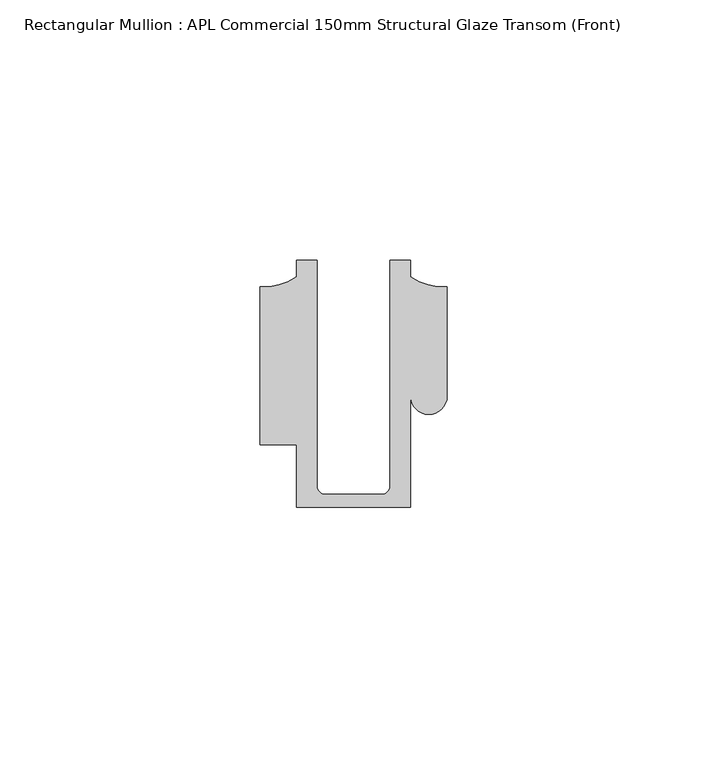
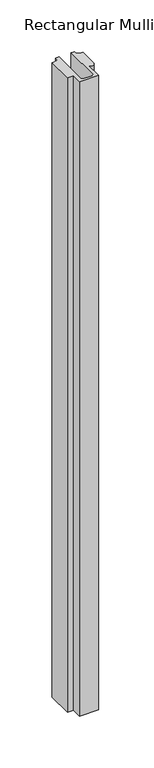
"""IFC4 building model written with IfcOpenShell, lengths in millimetres: member geometry, Rectangular Mullion : APL Commercial 150mm Structural Glaze Transom (Front)."""

from ifc_helpers import new_model, si_unit, frame, origin, place, context, project, spatial, polyline, circle_curve, source, transform, mapped, element, save
from ifc_brep_helpers import plane_surface, cylinder_surface, revolved_surface, advanced_brep


def rectangular_mullion_apl_commercial_150mm_structural_glaze_232889d8(model_context):
    return source(origin(), model_context, "Body", "AdvancedBrep", [
        advanced_brep(
        [(-11.0000151, -27.0, 0.0), (11.001071, -27.0, 0.0), (11.001071, -5.5848769, 0.0), (17.9999091, -5.6750512, 0.0), (17.9999542, 15.3797475, 0.0), (11.0000151, 17.3125212, 0.0), (11.0000151, 20.5, 0.0), (6.9999849, 20.5, 0.0), (6.9999849, -22.9973451, 0.0), (5.4999872, -24.5, 0.0), (-5.4999873, -24.5, 0.0), (-6.9999853, -22.9976091, 0.0), (-6.9999853, 20.5, 0.0), (-10.9999994, 20.5, 0.0), (-10.9999994, 17.3125325, 0.0), (-17.9999542, 15.3797475, 0.0), (-17.9999542, -15.0006281, 0.0), (-11.0000151, -15.0006281, 0.0), (-11.0000151, -27.0, -777.4590307), (-11.0000151, -15.0006281, -777.4590307), (-17.9999542, -15.0006281, -777.4590307), (-17.9999542, 15.3797475, -777.4590307), (-10.9999994, 17.3125325, -777.4590307), (-10.9999994, 20.5, -777.4590307), (-6.9999853, 20.5, -777.4590307), (-6.9999853, -22.9976091, -777.4590307), (-5.4999873, -24.5, -777.4590307), (5.4999872, -24.5, -777.4590307), (6.9999849, -22.9973451, -777.4590307), (6.9999849, 20.5, -777.4590307), (11.0000151, 20.5, -777.4590307), (11.0000151, 17.3125212, -777.4590307), (17.9999542, 15.3797475, -777.4590307), (17.9999542, -5.684606, -777.4590307), (11.001071, -5.5848769, -777.4590307), (11.001071, -27.0, -777.4590307)],
        [
            (0, 1),
            (1, 2),
            (2, 3, circle_curve(frame((14.4999091, -5.6750512, 0.0), z_axis=(0.0, 0.0, 1.0), x_axis=(-0.9999826028573957, 0.005898642432633649, 0.0)), 3.5)),
            (3, 4),
            (4, 5, circle_curve(frame((17.109817, 25.7981812, 0.0), z_axis=(0.0, 0.0, -1.0), x_axis=(0.0, -1.0, 0.0)), 10.4563907)),
            (5, 6),
            (6, 7),
            (7, 8),
            (8, 9, circle_curve(frame((5.4999872, -23.0, 0.0), z_axis=(0.0, 0.0, -1.0), x_axis=(0.9999999999999986, 5.463622857820516e-08, 0.0)), 1.5)),
            (9, 10),
            (10, 11, circle_curve(frame((-5.4999873, -23.0, 0.0), z_axis=(0.0, 0.0, -1.0), x_axis=(2.7320010112268853e-08, -0.9999999999999997, 0.0)), 1.5)),
            (11, 12),
            (12, 13),
            (13, 14),
            (14, 15, circle_curve(frame((-17.109817, 25.7981812, 0.0), z_axis=(0.0, 0.0, -1.0), x_axis=(0.0, -1.0, 0.0)), 10.4563907)),
            (15, 16),
            (16, 17),
            (17, 0),
            (18, 19),
            (19, 20),
            (20, 21),
            (21, 22, circle_curve(frame((-17.109817, 25.7981812, -777.4590307), z_axis=(0.0, 0.0, 1.0), x_axis=(0.0, -1.0, 0.0)), 10.4563907)),
            (22, 23),
            (23, 24),
            (24, 25),
            (25, 26, circle_curve(frame((-5.4999873, -23.0, -777.4590307), z_axis=(0.0, 0.0, 1.0), x_axis=(2.7320010112268853e-08, -0.9999999999999997, 0.0)), 1.5)),
            (26, 27),
            (27, 28, circle_curve(frame((5.4999872, -23.0, -777.4590307), z_axis=(0.0, 0.0, 1.0), x_axis=(0.9999999999999986, 5.463622857820516e-08, 0.0)), 1.5)),
            (28, 29),
            (29, 30),
            (30, 31),
            (31, 32, circle_curve(frame((17.109817, 25.7981812, -777.4590307), z_axis=(0.0, 0.0, 1.0), x_axis=(0.0, -1.0, 0.0)), 10.4563907)),
            (32, 33),
            (33, 34, circle_curve(frame((14.4999091, -5.6750512, -777.4590307), z_axis=(0.0, 0.0, -1.0), x_axis=(-0.9999826028573957, 0.005898642432633649, 0.0)), 3.5)),
            (34, 35),
            (35, 18),
            (0, 18),
            (35, 1),
            (34, 2),
            (33, 3),
            (32, 4),
            (31, 5),
            (30, 6),
            (29, 7),
            (28, 8),
            (27, 9),
            (26, 10),
            (25, 11),
            (24, 12),
            (23, 13),
            (22, 14),
            (21, 15),
            (20, 16),
            (19, 17),
        ],
        [
            plane_surface(frame((0.0, -29.1551636, 0.0), z_axis=(0.0, 0.0, 1.0), x_axis=(-1.0, 0.0, 0.0))),
            plane_surface(frame((0.0, -29.1551636, -777.4590307), z_axis=(0.0, 0.0, -1.0), x_axis=(-1.0, 0.0, 0.0))),
            plane_surface(frame((-11.0000151, -27.0, 0.0), z_axis=(0.0, -1.0, 0.0), x_axis=(0.0, 0.0, -1.0))),
            plane_surface(frame((11.001071, -27.0, 0.0), z_axis=(1.0, 0.0, 0.0), x_axis=(0.0, 0.0, -1.0))),
            cylinder_surface(frame((14.4999091, -5.6750512, 0.0), z_axis=(0.0, 0.0, 1.0), x_axis=(-0.9999826028573957, 0.005898642432633649, 0.0)), 3.5),
            plane_surface(frame((17.9999542, -5.684606, 0.0), z_axis=(1.0, 0.0, 0.0), x_axis=(0.0, 0.0, -1.0))),
            revolved_surface(polyline([(17.109817, 15.341790499999998, -777.4590307), (17.109817, 15.341790499999998, 0.0)]), (17.109817, 25.7981812, 0.0), (0.0, 0.0, -1.0)),
            plane_surface(frame((11.0000151, 17.3125212, 0.0), z_axis=(1.0, 0.0, 0.0), x_axis=(0.0, 0.0, -1.0))),
            plane_surface(frame((11.0000151, 20.5, 0.0), z_axis=(0.0, 1.0, 0.0), x_axis=(0.0, 0.0, -1.0))),
            plane_surface(frame((6.9999849, 20.5, 0.0), z_axis=(-1.0, 0.0, 0.0), x_axis=(0.0, 0.0, -1.0))),
            revolved_surface(polyline([(6.999987199999998, -22.999999918045656, -777.4590307), (6.999987199999998, -22.999999918045656, 0.0)]), (5.4999872, -23.0, 0.0), (0.0, 0.0, -1.0)),
            plane_surface(frame((5.4999872, -24.5, 0.0), z_axis=(0.0, 1.0, 0.0), x_axis=(0.0, 0.0, -1.0))),
            revolved_surface(polyline([(-5.499987259019985, -24.5, -777.4590307), (-5.499987259019985, -24.5, 0.0)]), (-5.4999873, -23.0, 0.0), (0.0, 0.0, -1.0)),
            plane_surface(frame((-6.9999853, -22.9976091, 0.0), z_axis=(1.0, 0.0, 0.0), x_axis=(0.0, 0.0, -1.0))),
            plane_surface(frame((-6.9999853, 20.5, 0.0), z_axis=(0.0, 1.0, 0.0), x_axis=(0.0, 0.0, -1.0))),
            plane_surface(frame((-10.9999994, 20.5, 0.0), z_axis=(-1.0, 0.0, 0.0), x_axis=(0.0, 0.0, -1.0))),
            revolved_surface(polyline([(-17.109817, 15.341790499999998, -777.4590307), (-17.109817, 15.341790499999998, 0.0)]), (-17.109817, 25.7981812, 0.0), (0.0, 0.0, -1.0)),
            plane_surface(frame((-17.9999542, 15.3797475, 0.0), z_axis=(-1.0, 0.0, 0.0), x_axis=(0.0, 0.0, -1.0))),
            plane_surface(frame((-17.9999542, -15.0006281, 0.0), z_axis=(0.0, -1.0, 0.0), x_axis=(0.0, 0.0, -1.0))),
            plane_surface(frame((-11.0000151, -15.0006281, 0.0), z_axis=(-1.0, 0.0, 0.0), x_axis=(0.0, 0.0, -1.0))),
        ],
        [
            (0, [[1, 2, 3, 4, 5, 6, 7, 8, 9, 10, 11, 12, 13, 14, 15, 16, 17, 18]]),
            (1, [[19, 20, 21, 22, 23, 24, 25, 26, 27, 28, 29, 30, 31, 32, 33, 34, 35, 36]]),
            (2, [[-1, 37, -36, 38]]),
            (3, [[-2, -38, -35, 39]]),
            (4, [[-3, -39, -34, 40]]),
            (5, [[-4, -40, -33, 41]]),
            (6, [[-5, -41, -32, 42]]),
            (7, [[-6, -42, -31, 43]]),
            (8, [[-7, -43, -30, 44]]),
            (9, [[-8, -44, -29, 45]]),
            (10, [[-9, -45, -28, 46]]),
            (11, [[-10, -46, -27, 47]]),
            (12, [[-11, -47, -26, 48]]),
            (13, [[-12, -48, -25, 49]]),
            (14, [[-13, -49, -24, 50]]),
            (15, [[-14, -50, -23, 51]]),
            (16, [[-15, -51, -22, 52]]),
            (17, [[-16, -52, -21, 53]]),
            (18, [[-17, -53, -20, 54]]),
            (19, [[-18, -54, -19, -37]]),
        ],
    ),
    ])


if __name__ == "__main__":
    model = new_model("IFC4")
    model_context = context("Model", 3, world=origin())
    ifc_project = project(units=[si_unit("LENGTHUNIT", "METRE", prefix="MILLI")], contexts=[model_context])
    site = spatial("IfcSite", under=ifc_project)
    building = spatial("IfcBuilding", under=site)
    placement = place(None, origin())
    rectangular_mullion_apl_commercial_150mm_structural_glaze_shape = rectangular_mullion_apl_commercial_150mm_structural_glaze_232889d8(model_context)
    element("IfcMember", 1, ObjectType="Rectangular Mullion : APL Commercial 150mm Structural Glaze Transom (Front)", at=placement, inside=building, context=model_context, shape_type="MappedRepresentation", body=[
        mapped(rectangular_mullion_apl_commercial_150mm_structural_glaze_shape, transform((0.0, 0.0, 0.0), x_axis=(1.0, 0.0, 0.0), y_axis=(0.0, 1.0, 0.0), z_axis=(0.0, 0.0, 1.0))),
    ])
    save(model, "model.ifc")
